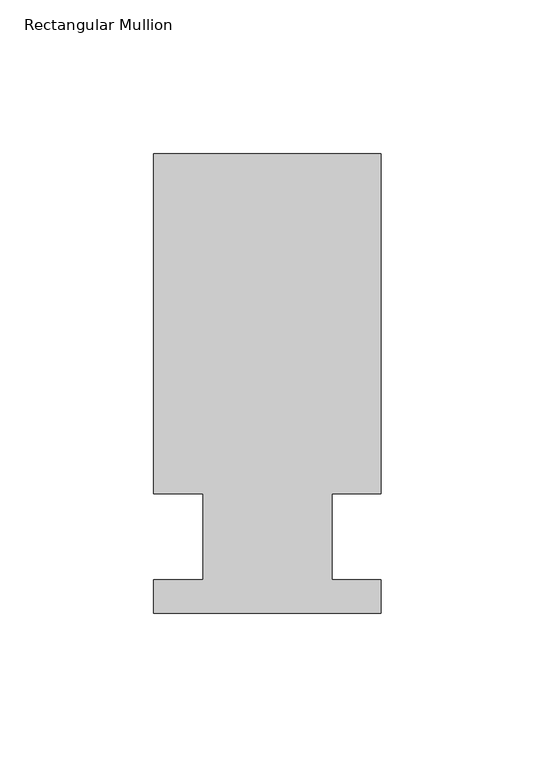
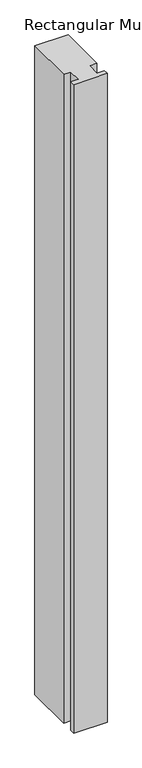
"""IFC4 building model written with IfcOpenShell, lengths in millimetres: member geometry, Rectangular Mullion."""

from ifc_helpers import new_model, si_unit, frame, origin, place, context, project, spatial, polyline, outline, extrude, source, transform, mapped, element, save


def rectangular_mullion_def80dea(model_context):
    return source(origin(), model_context, "Body", "SweptSolid", [
        extrude(outline(polyline([(-20.9800745, 13.9998907), (-37.0, 13.9998907), (-37.0, 124.5), (37.0, 124.5), (37.0, 13.9998907), (20.9800745, 13.9998907), (20.9800745, -14.0), (36.9800745, -14.0), (36.9800745, -25.0), (-37.0, -25.0), (-37.0, -14.0), (-20.9800745, -14.0), (-20.9800745, 13.9998907)])), frame((0.0, 0.0, -1524.000019), z_axis=(0.0, 0.0, 1.0), x_axis=(1.0, 0.0, 0.0)), (0.0, 0.0, 1.0), 1524.000019),
    ])


if __name__ == "__main__":
    model = new_model("IFC4")
    model_context = context("Model", 3, world=origin())
    ifc_project = project(units=[si_unit("LENGTHUNIT", "METRE", prefix="MILLI")], contexts=[model_context])
    site = spatial("IfcSite", under=ifc_project)
    building = spatial("IfcBuilding", under=site)
    placement = place(None, origin())
    rectangular_mullion_shape = rectangular_mullion_def80dea(model_context)
    element("IfcMember", 1, ObjectType="Rectangular Mullion", at=placement, inside=building, context=model_context, shape_type="MappedRepresentation", body=[
        mapped(rectangular_mullion_shape, transform((0.0, 0.0, 0.0), x_axis=(1.0, 0.0, 0.0), y_axis=(0.0, 1.0, 0.0), z_axis=(0.0, 0.0, 1.0))),
    ])
    save(model, "model.ifc")
